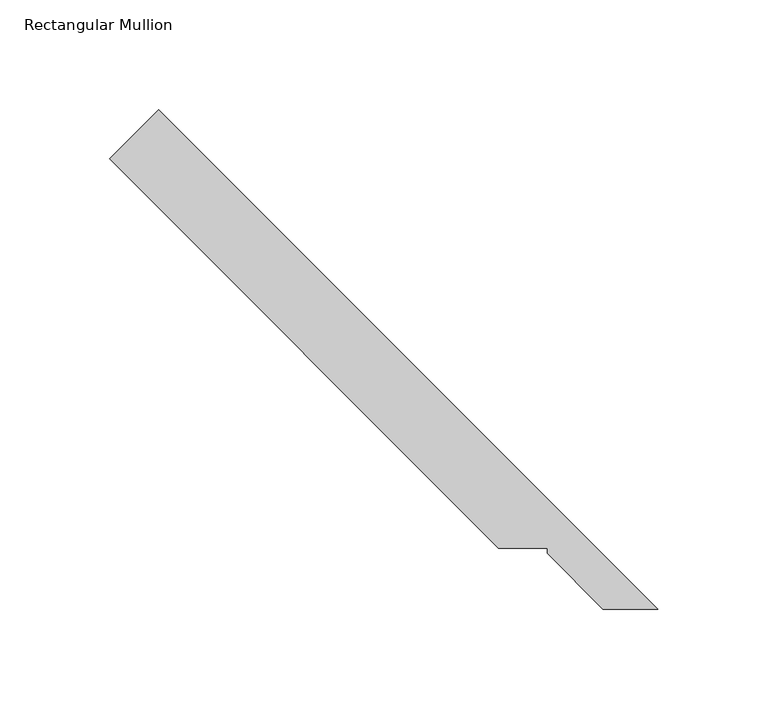
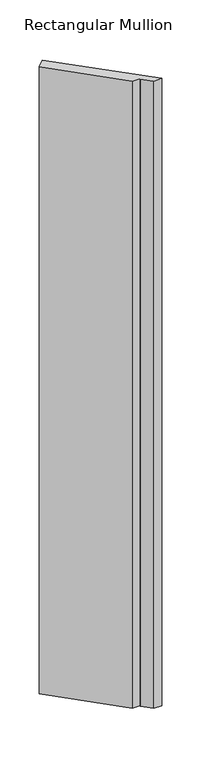
"""IFC4 building model written with IfcOpenShell, lengths in millimetres: member geometry, Rectangular Mullion."""

from ifc_helpers import new_model, si_unit, frame, origin, place, context, project, spatial, polyline, outline, extrude, source, transform, mapped, element, save


def rectangular_mullion_400bc016(model_context):
    return source(origin(), model_context, "Body", "SweptSolid", [
        extrude(outline(polyline([(-269.2055409, 224.3042603), (-246.7549006, 246.7549006), (-18.853481, 18.853481), (-43.9245805, 18.853481), (-69.4326643, 44.4703836), (-69.4326643, 46.7563836), (-91.6576642, 46.7563836), (-269.2055409, 224.3042603)])), frame((0.0, 0.0, -1993.9), z_axis=(0.0, 0.0, 1.0), x_axis=(1.0, 0.0, 0.0)), (0.0, 0.0, 1.0), 1993.9),
    ])


if __name__ == "__main__":
    model = new_model("IFC4")
    model_context = context("Model", 3, world=origin())
    ifc_project = project(units=[si_unit("LENGTHUNIT", "METRE", prefix="MILLI")], contexts=[model_context])
    site = spatial("IfcSite", under=ifc_project)
    building = spatial("IfcBuilding", under=site)
    placement = place(None, origin())
    rectangular_mullion_shape = rectangular_mullion_400bc016(model_context)
    element("IfcMember", 1, ObjectType="Rectangular Mullion", at=placement, inside=building, context=model_context, shape_type="MappedRepresentation", body=[
        mapped(rectangular_mullion_shape, transform((0.0, 0.0, 0.0), x_axis=(1.0, 0.0, 0.0), y_axis=(0.0, 1.0, 0.0), z_axis=(0.0, 0.0, 1.0))),
    ])
    save(model, "model.ifc")
